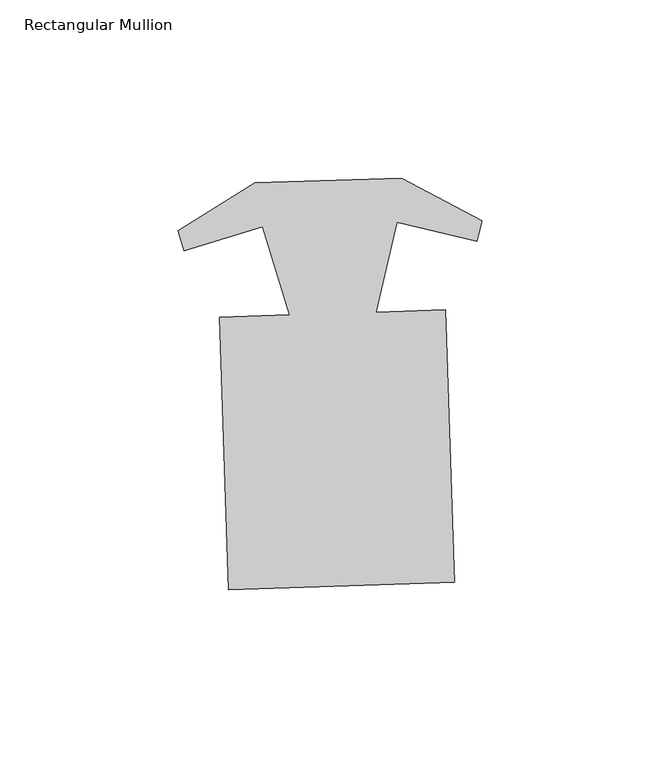
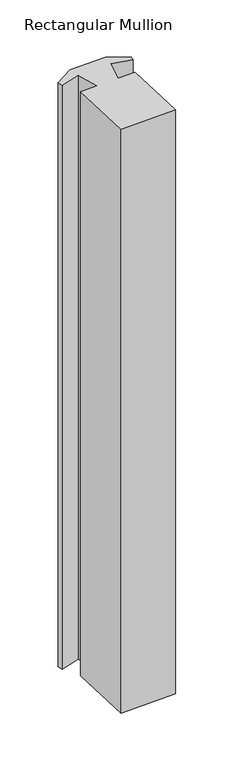
"""IFC4 building model written with IfcOpenShell, lengths in millimetres: member geometry, Rectangular Mullion."""

import ifcopenshell
import ifcopenshell.guid

model = None  # the IFC model being written
_history = None  # IfcOwnerHistory: only IFC2X3 demands one
_inside = {}  # id of a spatial element -> (the spatial element, [elements in it])
_under = {}  # id of a project, library or spatial element -> (it, [spatial elements below it])
_declared = {}  # id of a project -> (the project, [libraries it declares])
_typed = {}  # id of a type object -> (the type object, [elements of that type])
_made_of = {}  # id of a material, layer set ... -> (it, [elements and type objects made of it])


def new_model(schema):
    """Start an empty IFC model of exactly this schema.

    Asked for "IFC4X3", IfcOpenShell would pick the latest addendum, in which some entities
    have other attributes; the version numbers below select the first issue.
    IFC2X3 requires an IfcOwnerHistory on every rooted entity: one is made here for all.
    """
    global model, _history
    if schema == "IFC4X3":
        model = ifcopenshell.file(schema_version=(4, 3, 0, 0))
    else:
        model = ifcopenshell.file(schema=schema)
    _inside.clear()
    _under.clear()
    _declared.clear()
    _typed.clear()
    _made_of.clear()
    _history = None
    if model.schema == "IFC2X3":
        org = make("IfcOrganization", Name="unknown")
        user = make(
            "IfcPersonAndOrganization",
            ThePerson=make("IfcPerson", FamilyName="unknown"),
            TheOrganization=org,
        )
        app = make(
            "IfcApplication",
            ApplicationDeveloper=org,
            Version="unknown",
            ApplicationFullName="unknown",
            ApplicationIdentifier="unknown",
        )
        _history = make(
            "IfcOwnerHistory",
            OwningUser=user,
            OwningApplication=app,
            ChangeAction="ADDED",
            CreationDate=0,
        )
    return model


def make(cls, **values):
    """One entity of the class cls with the attributes given. An attribute that is None is left unset."""
    return model.create_entity(
        cls, **{name: value for name, value in values.items() if value is not None}
    )


def rooted(cls, **values):
    """An entity with a GlobalId (a new one), such as an element, a storey or a relation."""
    return make(cls, GlobalId=ifcopenshell.guid.new(), OwnerHistory=_history, **values)


def si_unit(unit_type, name, prefix=None):
    """IfcSIUnit, for example si_unit("LENGTHUNIT", "METRE", prefix="MILLI")."""
    return make("IfcSIUnit", UnitType=unit_type, Prefix=prefix, Name=name)


def assignment(units):
    """IfcUnitAssignment: the units of a project."""
    return None if units is None else make("IfcUnitAssignment", Units=units)


def point(xyz):
    """IfcCartesianPoint."""
    return None if xyz is None else make("IfcCartesianPoint", Coordinates=xyz)


def direction(xyz):
    """IfcDirection."""
    return None if xyz is None else make("IfcDirection", DirectionRatios=xyz)


def frame(location, z_axis=None, x_axis=None):
    """IfcAxis2Placement3D, a coordinate frame: its origin and axes. An axis left out is left unset."""
    return make(
        "IfcAxis2Placement3D",
        Location=point(location),
        Axis=direction(z_axis),
        RefDirection=direction(x_axis),
    )


def origin():
    """The frame at (0, 0, 0) with its axes left unset."""
    return frame((0.0, 0.0, 0.0))


def place(relative_to, where):
    """IfcLocalPlacement: puts the frame where relative to a parent placement (None: the world)."""
    return make(
        "IfcLocalPlacement", PlacementRelTo=relative_to, RelativePlacement=where
    )


def context(
    kind, dimensions, precision=None, world=None, true_north=None, identifier=None
):
    """IfcGeometricRepresentationContext, for example the 3D "Model" context."""
    return make(
        "IfcGeometricRepresentationContext",
        ContextIdentifier=identifier,
        ContextType=kind,
        CoordinateSpaceDimension=dimensions,
        Precision=precision,
        WorldCoordinateSystem=world,
        TrueNorth=true_north,
    )


def project(units=None, contexts=None):
    """IfcProject with its units and contexts."""
    return rooted(
        "IfcProject",
        Name="project",
        RepresentationContexts=contexts,
        UnitsInContext=assignment(units),
    )


def spatial(cls, under=None, at=None, **own):
    """A site, building, storey or space (cls), placed at a placement, below another one or the project."""
    s = rooted(cls, ObjectPlacement=at, **own)
    if under is not None:
        _under.setdefault(under.id(), (under, []))[1].append(s)
    return s


def polyline(points):
    """IfcPolyline through the points."""
    return make("IfcPolyline", Points=[point(p) for p in points])


def outline(outer, holes=None, kind="AREA"):
    """IfcArbitraryClosedProfileDef: a profile drawn as a closed curve; with holes, ...WithVoids."""
    if holes is None:
        return make("IfcArbitraryClosedProfileDef", ProfileType=kind, OuterCurve=outer)
    return make(
        "IfcArbitraryProfileDefWithVoids",
        ProfileType=kind,
        OuterCurve=outer,
        InnerCurves=holes,
    )


def extrude(swept, where, along, depth):
    """IfcExtrudedAreaSolid: the profile swept, set in the frame where, extruded along a direction by depth."""
    return make(
        "IfcExtrudedAreaSolid",
        SweptArea=swept,
        Position=where,
        ExtrudedDirection=direction(along),
        Depth=depth,
    )


def shape(context_of_items, identifier, shape_type, items):
    """IfcShapeRepresentation: the items that make up one representation, for example the "Body"."""
    return make(
        "IfcShapeRepresentation",
        ContextOfItems=context_of_items,
        RepresentationIdentifier=identifier,
        RepresentationType=shape_type,
        Items=items,
    )


def source(mapping_origin, context_of_items, identifier, shape_type, items):
    """IfcRepresentationMap: a shape defined once, which mapped items show again and again."""
    return make(
        "IfcRepresentationMap",
        MappingOrigin=mapping_origin,
        MappedRepresentation=shape(context_of_items, identifier, shape_type, items),
    )


def transform(
    local_origin,
    x_axis=None,
    y_axis=None,
    z_axis=None,
    scale=None,
    scale2=None,
    scale3=None,
    uniform=True,
):
    """IfcCartesianTransformationOperator3D, or its non-uniform kind. x_axis, y_axis, z_axis: its Axis1, 2, 3."""
    if uniform:
        return make(
            "IfcCartesianTransformationOperator3D",
            Axis1=direction(x_axis),
            Axis2=direction(y_axis),
            LocalOrigin=point(local_origin),
            Scale=scale,
            Axis3=direction(z_axis),
        )
    return make(
        "IfcCartesianTransformationOperator3DnonUniform",
        Axis1=direction(x_axis),
        Axis2=direction(y_axis),
        LocalOrigin=point(local_origin),
        Scale=scale,
        Axis3=direction(z_axis),
        Scale2=scale2,
        Scale3=scale3,
    )


def mapped(mapping_source, mapping_target):
    """IfcMappedItem: shows the shape of a source again, moved by a transform."""
    return make(
        "IfcMappedItem", MappingSource=mapping_source, MappingTarget=mapping_target
    )


def made_of(thing, what):
    """Note that an element or type object is made of a material, layer set ...; save() writes the relation."""
    if what is not None:
        _made_of.setdefault(what.id(), (what, []))[1].append(thing)
    return thing


def element(
    cls,
    number,
    at=None,
    inside=None,
    cuts=None,
    type_object=None,
    material=None,
    context=None,
    identifier="Body",
    shape_type=None,
    held_by="IfcProductDefinitionShape",
    body=None,
    shapes=None,
    **own,
):
    """One element of the class cls, such as IfcWall. Its Tag is "e" and its number.

    at: its placement. inside: the storey or other place that contains it. cuts: it is an
    opening in that element (IfcRelVoidsElement). A single representation is given by context,
    identifier, shape_type and body (its items); several are given by shapes. held_by: the class
    of the entity that holds the representations. save() writes the other relations.
    """
    e = rooted(cls, Tag="e%d" % number, ObjectPlacement=at, **own)
    if body is not None:
        shapes = [shape(context, identifier, shape_type, body)]
    if shapes is not None:
        e.Representation = make(held_by, Representations=shapes)
    if inside is not None:
        _inside.setdefault(inside.id(), (inside, []))[1].append(e)
    if cuts is not None:
        rooted(
            "IfcRelVoidsElement", RelatingBuildingElement=cuts, RelatedOpeningElement=e
        )
    if type_object is not None:
        _typed.setdefault(type_object.id(), (type_object, []))[1].append(e)
    return made_of(e, material)


def aggregate(whole, parts):
    """IfcRelAggregates: a whole, such as a stair, and the parts it consists of."""
    return rooted("IfcRelAggregates", RelatingObject=whole, RelatedObjects=parts)


def save(model, path):
    """Write the relations noted so far, then the file.

    IfcRelAggregates (storeys below a building ...), IfcRelContainedInSpatialStructure (elements
    in a storey), IfcRelDefinesByType, IfcRelAssociatesMaterial and IfcRelDeclares: one each for
    every whole, place, type object, material and project.
    """
    for whole, parts in _under.values():
        aggregate(whole, parts)
    for where, things in _inside.values():
        rooted(
            "IfcRelContainedInSpatialStructure",
            RelatedElements=things,
            RelatingStructure=where,
        )
    for kind, things in _typed.values():
        rooted("IfcRelDefinesByType", RelatedObjects=things, RelatingType=kind)
    for what, things in _made_of.values():
        rooted("IfcRelAssociatesMaterial", RelatedObjects=things, RelatingMaterial=what)
    for by, libraries in _declared.values():
        rooted("IfcRelDeclares", RelatingContext=by, RelatedDefinitions=libraries)
    model.write(path)


def rectangular_mullion_0869dbb0(model_context):
    return source(origin(), model_context, "Body", "SweptSolid", [
        extrude(outline(polyline([(34.4413672, -82.2616258), (-29.0251758, -84.3226722), (-31.5091489, -7.8327945), (-11.934479, -7.1971162), (-19.4476589, 17.5938811), (-41.6035387, 10.8793021), (-43.2888335, 16.4402149), (-21.5888206, 29.9262735), (19.6081352, 31.2641254), (42.1374109, 19.2143923), (40.8164626, 13.5558531), (18.2716183, 18.818797), (12.3827243, -6.4074264), (31.9573942, -5.7717481), (34.4413672, -82.2616258)])), frame((0.0, 0.0, -705.4900979), z_axis=(0.0, 0.0, 1.0), x_axis=(1.0, 0.0, 0.0)), (0.0, 0.0, 1.0), 705.4900979),
    ])


if __name__ == "__main__":
    model = new_model("IFC4")
    model_context = context("Model", 3, world=origin())
    ifc_project = project(units=[si_unit("LENGTHUNIT", "METRE", prefix="MILLI")], contexts=[model_context])
    site = spatial("IfcSite", under=ifc_project)
    building = spatial("IfcBuilding", under=site)
    placement = place(None, origin())
    rectangular_mullion_shape = rectangular_mullion_0869dbb0(model_context)
    element("IfcMember", 1, ObjectType="Rectangular Mullion", at=placement, inside=building, context=model_context, shape_type="MappedRepresentation", body=[
        mapped(rectangular_mullion_shape, transform((0.0, 0.0, 0.0), x_axis=(1.0, 0.0, 0.0), y_axis=(0.0, 1.0, 0.0), z_axis=(0.0, 0.0, 1.0))),
    ])
    save(model, "model.ifc")
